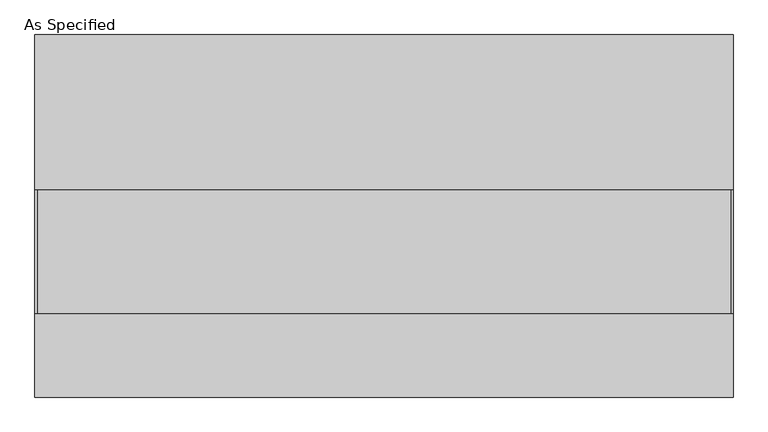
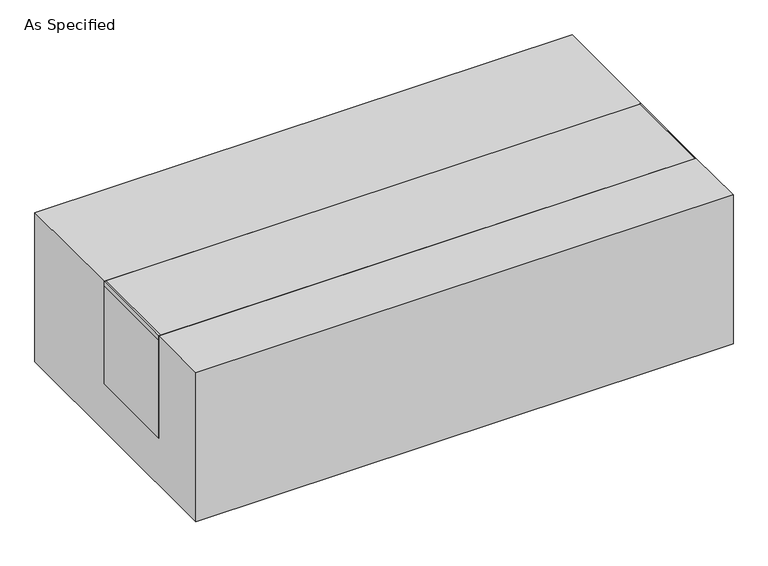
"""IFC4 building model written with IfcOpenShell, lengths in millimetres: proxy geometry, As Specified."""

from ifc_helpers import new_model, si_unit, point, frame, frame_2d, origin, place, context, project, spatial, polyline, circle_curve, trimmed, segment, composite_curve, outline, extrude, source, transform, mapped, element, save


def as_specified_4a776bb5(model_context):
    return source(origin(), model_context, "Body", "SweptSolid", [
        extrude(outline(composite_curve([segment(trimmed(circle_curve(frame_2d((542.0125, -397.675)), 10.5), [point((542.0125, -408.175))], [point((542.0125, -387.175))], False, "CARTESIAN"), True, "CONTINUOUS"), segment(trimmed(circle_curve(frame_2d((542.0125, -397.675)), 10.5), [point((542.0125, -387.175))], [point((542.0125, -408.175))], False, "CARTESIAN"), True, "CONTINUOUS")], self_intersect=False)), frame((0.0, 0.0, -562.225), z_axis=(0.0, 0.0, 1.0), x_axis=(1.0, 0.0, 0.0)), (0.0, 0.0, 1.0), 32.0),
        extrude(outline(polyline([(-856.45625, -241.3), (-862.0125, -241.3), (-862.0125, 63.5), (-856.45625, 63.5), (-856.45625, -241.3)])), frame((0.0, 0.0, -39.6875), z_axis=(0.0, 0.0, 1.0), x_axis=(1.0, 0.0, 0.0)), (0.0, 0.0, 1.0), 14.2875),
        extrude(outline(polyline([(858.04375, 63.5), (862.0125, 63.5), (862.0125, -241.3), (858.04375, -241.3), (858.04375, 63.5)])), frame((0.0, 0.0, -39.6875), z_axis=(0.0, 0.0, 1.0), x_axis=(1.0, 0.0, 0.0)), (0.0, 0.0, 1.0), 14.2875),
        extrude(outline(polyline([(862.0125, 63.5), (862.0125, -241.3), (-862.0125, -241.3), (-862.0125, 63.5), (862.0125, 63.5)])), frame((0.0, 0.0, -373.0625), z_axis=(0.0, 0.0, 1.0), x_axis=(1.0, 0.0, 0.0)), (0.0, 0.0, 1.0), 347.6625),
        extrude(outline(polyline([(447.675, -25.4), (447.675, -530.225), (-447.675, -530.225), (-447.675, -25.4), (-241.3, -25.4), (-241.3, -373.0625), (63.5, -373.0625), (63.5, -25.4), (447.675, -25.4)])), frame((-862.0125, 0.0, 0.0), z_axis=(1.0, 0.0, 0.0), x_axis=(0.0, 1.0, 0.0)), (0.0, 0.0, 1.0), 1724.025),
    ])


if __name__ == "__main__":
    model = new_model("IFC4")
    model_context = context("Model", 3, world=origin())
    ifc_project = project(units=[si_unit("LENGTHUNIT", "METRE", prefix="MILLI")], contexts=[model_context])
    site = spatial("IfcSite", under=ifc_project)
    building = spatial("IfcBuilding", under=site)
    placement = place(None, origin())
    as_specified_shape = as_specified_4a776bb5(model_context)
    element("IfcBuildingElementProxy", 1, Name="As Specified", ObjectType="As Specified", at=placement, inside=building, context=model_context, shape_type="MappedRepresentation", body=[
        mapped(as_specified_shape, transform((0.0, 0.0, 0.0), x_axis=(1.0, 0.0, 0.0), y_axis=(0.0, 1.0, 0.0), z_axis=(0.0, 0.0, 1.0))),
    ])
    save(model, "model.ifc")
